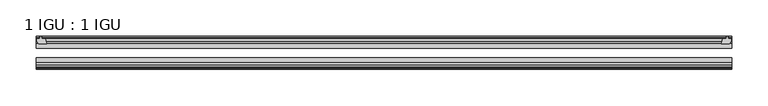
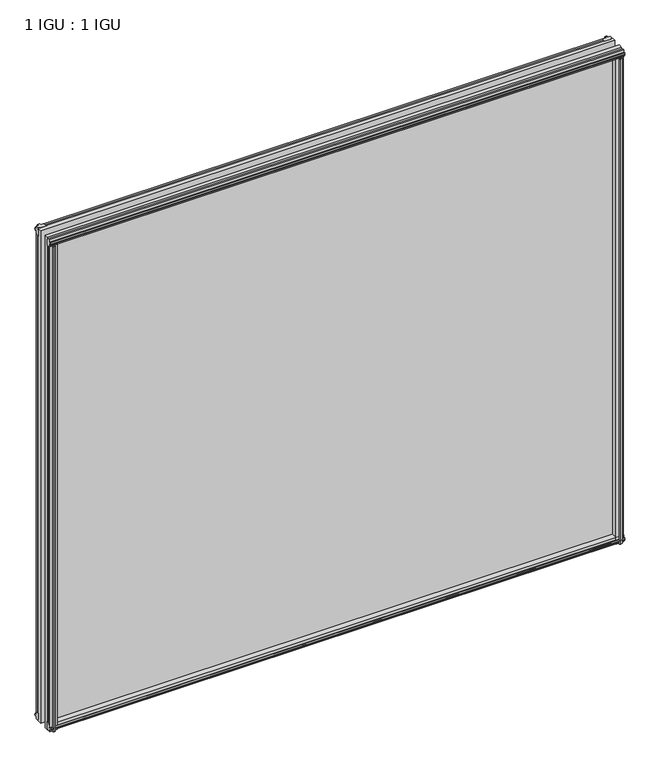
"""IFC4 building model written with IfcOpenShell, lengths in millimetres: plate geometry, 1 IGU : 1 IGU."""

from ifc_helpers import new_model, si_unit, frame, origin, place, context, project, spatial, polyline, outline, extrude, source, transform, mapped, element, save


def plate_1_igu_1_igu_26cabcd1(model_context):
    return source(origin(), model_context, "Body", "SweptSolid", [
        extrude(outline(polyline([(468.2072587, -10.4746158), (470.3847878, -9.7670938), (472.5623168, -10.4746158), (472.5623168, -11.27583), (471.1467878, -10.8158968), (471.5277878, -13.1960938), (475.9727878, -13.1960938), (475.9727878, -16.1424938), (473.1384456, -19.5460938), (462.3170697, -19.5460938), (464.0347878, -13.1960938), (469.2417878, -13.1960938), (469.6227878, -10.8158968), (468.2072587, -11.27583), (468.2072587, -10.4746158)])), frame((0.0, 0.0, -12.4587), z_axis=(0.0, 0.0, 1.0), x_axis=(1.0, 0.0, 0.0)), (0.0, 0.0, 1.0), 863.1174),
        extrude(outline(polyline([(-470.3847878, -9.7670937), (-468.2072587, -10.4746158), (-468.2072587, -11.27583), (-469.6227878, -10.8158968), (-469.2417878, -13.1960937), (-464.0347878, -13.1960937), (-462.3170697, -19.5460937), (-473.1384456, -19.5460937), (-475.9727878, -16.1424937), (-475.9727878, -13.1960937), (-471.5277878, -13.1960937), (-471.1467878, -10.8158968), (-472.5623168, -11.27583), (-472.5623168, -10.4746158), (-470.3847878, -9.7670937)])), frame((0.0, 0.0, -12.4587), z_axis=(0.0, 0.0, 1.0), x_axis=(1.0, 0.0, 0.0)), (0.0, 0.0, 1.0), 863.1174),
        extrude(outline(polyline([(461.7996717, -44.9460938), (472.6210476, -44.9460938), (475.4553898, -48.3496938), (475.4553898, -51.2960938), (471.0103898, -51.2960938), (470.6293898, -53.6762907), (472.0449188, -53.2163575), (472.0449188, -54.0175717), (469.8673898, -54.7250938), (467.6898607, -54.0175717), (467.6898607, -53.2163575), (469.1053898, -53.6762907), (468.7243898, -51.2960938), (463.5173898, -51.2960938), (461.7996717, -44.9460938)])), frame((0.0, 0.0, -12.4587), z_axis=(0.0, 0.0, 1.0), x_axis=(1.0, 0.0, 0.0)), (0.0, 0.0, 1.0), 850.4174),
        extrude(outline(polyline([(-461.7963697, -44.9460937), (-463.5140878, -51.2960937), (-468.7210878, -51.2960937), (-469.1020878, -53.6762907), (-467.6865587, -53.2163575), (-467.6865587, -54.0175717), (-469.8640878, -54.7250937), (-472.0416168, -54.0175717), (-472.0416168, -53.2163575), (-470.6260878, -53.6762907), (-471.0070878, -51.2960937), (-475.4520878, -51.2960937), (-475.4520878, -48.3496937), (-472.6177456, -44.9460937), (-461.7963697, -44.9460937)])), frame((0.0, 0.0, -12.4587), z_axis=(0.0, 0.0, 1.0), x_axis=(1.0, 0.0, 0.0)), (0.0, 0.0, 1.0), 850.4174),
        extrude(outline(polyline([(-10.4746158, -4.6931709), (-9.7670937, -6.8707), (-10.4746158, -9.0482291), (-11.27583, -9.0482291), (-10.8158968, -7.6327), (-13.1960937, -8.0137), (-13.1960937, -12.4587), (-16.1424937, -12.4587), (-19.5460937, -9.6243578), (-19.5460937, 1.1970181), (-13.1960937, -0.5207), (-13.1960937, -5.7277), (-10.8158968, -6.1087), (-11.27583, -4.6931709), (-10.4746158, -4.6931709)])), frame((-476.2140878, 0.0, 0.0), z_axis=(1.0, 0.0, 0.0), x_axis=(0.0, 1.0, 0.0)), (0.0, 0.0, 1.0), 952.4281756),
        extrude(outline(polyline([(-44.9460937, 1.7177181), (-44.9460937, -9.1036578), (-48.3496937, -11.938), (-51.2960937, -11.938), (-51.2960937, -7.493), (-53.6762907, -7.112), (-53.2163575, -8.5275291), (-54.0175717, -8.5275291), (-54.7250937, -6.35), (-54.0175717, -4.1724709), (-53.2163575, -4.1724709), (-53.6762907, -5.588), (-51.2960937, -5.207), (-51.2960937, 0.0), (-44.9460937, 1.7177181)])), frame((-476.2140878, 0.0, 0.0), z_axis=(1.0, 0.0, 0.0), x_axis=(0.0, 1.0, 0.0)), (0.0, 0.0, 1.0), 952.4281756),
        extrude(outline(polyline([(-10.8158968, 845.8327), (-11.27583, 847.2482291), (-10.4746158, 847.2482291), (-9.7670937, 845.0707), (-10.4746158, 842.8931709), (-11.27583, 842.8931709), (-10.8158968, 844.3087), (-13.1960937, 843.9277), (-13.1960937, 838.7207), (-19.5460938, 837.0029819), (-19.5460938, 847.8243578), (-16.1424937, 850.6587), (-13.1960937, 850.6587), (-13.1960937, 846.2137), (-10.8158968, 845.8327)])), frame((-476.2140878, 0.0, 0.0), z_axis=(1.0, 0.0, 0.0), x_axis=(0.0, 1.0, 0.0)), (0.0, 0.0, 1.0), 952.4281756),
        extrude(outline(polyline([(-51.2960937, 850.138), (-48.3496937, 850.138), (-44.9460938, 847.3036578), (-44.9460938, 836.4822819), (-51.2960937, 838.2), (-51.2960937, 843.407), (-53.6762907, 843.788), (-53.2163575, 842.3724709), (-54.0175717, 842.3724709), (-54.7250937, 844.55), (-54.0175717, 846.7275291), (-53.2163575, 846.7275291), (-53.6762907, 845.312), (-51.2960937, 845.693), (-51.2960937, 850.138)])), frame((-476.2140878, 0.0, 0.0), z_axis=(1.0, 0.0, 0.0), x_axis=(0.0, 1.0, 0.0)), (0.0, 0.0, 1.0), 952.4281756),
        extrude(outline(polyline([(-476.2140878, -38.9186738), (476.2140878, -38.9186738), (476.2140878, -44.9460937), (-476.2140878, -44.9460937), (-476.2140878, -38.9186738)])), frame((0.0, 0.0, -12.7), z_axis=(0.0, 0.0, 1.0), x_axis=(1.0, 0.0, 0.0)), (0.0, 0.0, 1.0), 863.6),
        extrude(outline(polyline([(-476.2140878, -19.5460937), (476.2140878, -19.5460937), (476.2140878, -25.8960938), (-476.2140878, -25.8960938), (-476.2140878, -19.5460937)])), frame((0.0, 0.0, -12.7), z_axis=(0.0, 0.0, 1.0), x_axis=(1.0, 0.0, 0.0)), (0.0, 0.0, 1.0), 863.6),
    ])


if __name__ == "__main__":
    model = new_model("IFC4")
    model_context = context("Model", 3, world=origin())
    ifc_project = project(units=[si_unit("LENGTHUNIT", "METRE", prefix="MILLI")], contexts=[model_context])
    site = spatial("IfcSite", under=ifc_project)
    building = spatial("IfcBuilding", under=site)
    placement = place(None, origin())
    plate_1_igu_1_igu_shape = plate_1_igu_1_igu_26cabcd1(model_context)
    element("IfcPlate", 1, ObjectType="1 IGU : 1 IGU", at=placement, inside=building, context=model_context, shape_type="MappedRepresentation", body=[
        mapped(plate_1_igu_1_igu_shape, transform((0.0, 0.0, 0.0), x_axis=(1.0, 0.0, 0.0), y_axis=(0.0, 1.0, 0.0), z_axis=(0.0, 0.0, 1.0))),
    ])
    save(model, "model.ifc")
